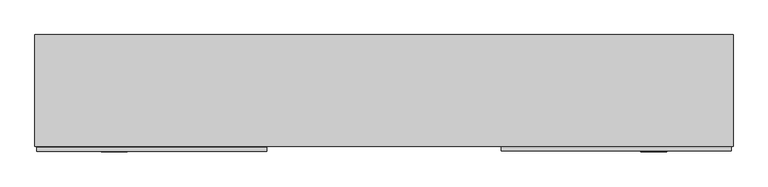
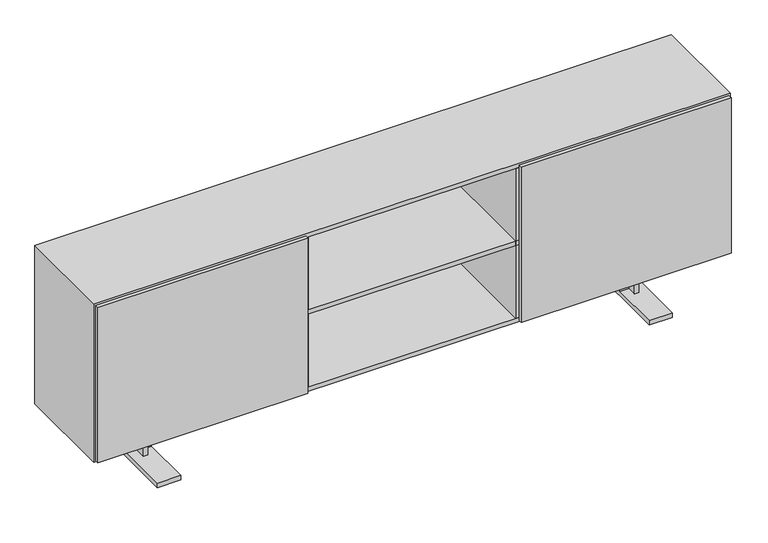
"""IFC4 building model written with IfcOpenShell, lengths in millimetres: furniture geometry."""

from ifc_helpers import new_model, si_unit, frame, origin, place, context, project, spatial, polyline, outline, extrude, faceted_brep, source, transform, mapped, element, save


def furniture_48a592a2(model_context):
    return source(origin(), model_context, "Body", "SolidModel", [
        extrude(outline(polyline([(-453.0720026, 14.0619413), (-453.0720026, -0.9392987), (-1343.025, -0.9392987), (-1343.025, 14.0619413), (-453.0720026, 14.0619413)])), frame((0.0, 0.0, 196.85), z_axis=(0.0, 0.0, 1.0), x_axis=(1.0, 0.0, 0.0)), (0.0, 0.0, 1.0), 698.5),
        extrude(outline(polyline([(1343.025, 15.9405387), (1343.025, 0.9392987), (453.0720026, 0.9392987), (453.0720026, 15.9405387), (1343.025, 15.9405387)])), frame((0.0, 0.0, 196.85), z_axis=(0.0, 0.0, 1.0), x_axis=(1.0, 0.0, 0.0)), (0.0, 0.0, 1.0), 698.5),
        extrude(outline(polyline([(1330.325, 19.0420174), (-1330.325, 19.0420174), (-1330.325, 431.8), (1330.325, 431.8), (1330.325, 19.0420174)])), frame((0.0, 0.0, 536.575), z_axis=(0.0, 0.0, 1.0), x_axis=(1.0, 0.0, 0.0)), (0.0, 0.0, 1.0), 19.05),
        extrude(outline(polyline([(459.3166667, 19.0739478), (440.2666667, 19.0739478), (440.2666667, 423.0566059), (459.3166667, 423.0566059), (459.3166667, 19.0739478)])), frame((0.0, 0.0, 209.55), z_axis=(0.0, 0.0, 1.0), x_axis=(1.0, 0.0, 0.0)), (0.0, 0.0, 1.0), 673.1),
        extrude(outline(polyline([(-440.2666667, 19.0739478), (-459.3166667, 19.0739478), (-459.3166667, 423.0566059), (-440.2666667, 423.0566059), (-440.2666667, 19.0739478)])), frame((0.0, 0.0, 209.55), z_axis=(0.0, 0.0, 1.0), x_axis=(1.0, 0.0, 0.0)), (0.0, 0.0, 1.0), 673.1),
        faceted_brep([(1349.375, 19.0420174, 901.7), (-1349.375, 19.0420174, 901.7), (-1349.375, 19.0420174, 190.5), (1349.375, 19.0420174, 190.5), (-1330.325, 19.0420174, 882.65), (1330.325, 19.0420174, 882.65), (1330.325, 19.0420174, 209.55), (-1330.325, 19.0420174, 209.55), (1349.375, 450.85, 901.7), (1349.375, 450.85, 190.5), (-1349.375, 450.85, 190.5), (-1349.375, 450.85, 901.7), (-1330.325, 431.8, 882.65), (1330.325, 431.8, 882.65), (1330.325, 431.8, 209.55), (-1330.325, 431.8, 209.55)], [[[0, 1, 2, 3], [4, 5, 6, 7]], [[8, 9, 10, 11]], [[1, 0, 8, 11]], [[2, 1, 11, 10]], [[3, 2, 10, 9]], [[0, 3, 9, 8]], [[5, 4, 12, 13]], [[6, 5, 13, 14]], [[7, 6, 14, 15]], [[4, 7, 15, 12]], [[13, 12, 15, 14]]]),
        faceted_brep([(-1050.8500108, 171.1108775, 190.5), (-1031.8000108, 171.1108775, 190.5), (-1031.8000108, 211.6109348, 190.5), (1031.8000108, 211.6109348, 190.5), (1031.8000108, 171.1108775, 190.5), (1050.8500108, 171.1108775, 190.5), (1050.8500108, 269.1160418, 190.5), (1031.8000108, 269.1160418, 190.5), (1031.8000108, 230.9134, 190.5), (-1031.8000108, 230.9134, 190.5), (-1031.8000108, 269.1160418, 190.5), (-1050.8500108, 269.1160418, 190.5), (-1050.8500108, 171.1108775, 19.8859728), (-1031.8000108, 171.1108775, 19.8859728), (-1031.8000108, 211.6109348, 19.8859728), (-993.3499595, 211.6109348, 139.7), (993.3499595, 211.6109348, 139.7), (993.3499595, 211.6109348, 19.8859728), (1031.8000108, 211.6109348, 19.8859728), (-993.3499595, 211.6109348, 19.8859728), (-993.3499595, 230.9134, 139.7), (-993.3499595, -3.1790836, 19.8859728), (-993.3499595, -3.1790836, 0.0), (-993.3499595, 445.4008393, 0.0), (-993.3499595, 445.4008393, 19.8859728), (-993.3499595, 230.9134, 19.8859728), (993.3499595, 230.9134, 139.7), (-1031.8000108, 230.9134, 19.8859728), (1031.8000108, 230.9134, 19.8859728), (993.3499595, 230.9134, 19.8859728), (-1031.8000108, 269.1160418, 19.8859728), (-1050.8500108, 269.1160418, 19.8859728), (1031.8000108, 171.1108775, 19.8859728), (1050.8500108, 171.1108775, 19.8859728), (993.3499595, 445.4008393, 19.8859728), (993.3499595, 445.4008393, 0.0), (993.3499595, -3.1790836, 0.0), (993.3499595, -3.1790836, 19.8859728), (1031.8000108, 269.1160418, 19.8859728), (1050.8500108, 269.1160418, 19.8859728), (-1092.3500213, 445.4008393, 19.8859728), (-1092.3500213, -3.1790836, 19.8859728), (-1092.3500213, -3.1790836, 0.0), (-1092.3500213, 445.4008393, 0.0), (1092.3500213, -3.1790836, 19.8859728), (1092.3500213, 445.4008393, 19.8859728), (1092.3500213, 445.4008393, 0.0), (1092.3500213, -3.1790836, 0.0)], [[[0, 1, 2, 3, 4, 5, 6, 7, 8, 9, 10, 11]], [[1, 0, 12, 13]], [[2, 1, 13, 14]], [[15, 16, 17, 18, 3, 2, 14, 19]], [[20, 15, 19, 21, 22, 23, 24, 25]], [[26, 20, 25, 27, 9, 8, 28, 29]], [[10, 9, 27, 30]], [[11, 10, 30, 31]], [[0, 11, 31, 12]], [[20, 26, 16, 15]], [[5, 4, 32, 33]], [[4, 3, 18, 32]], [[26, 29, 34, 35, 36, 37, 17, 16]], [[8, 7, 38, 28]], [[7, 6, 39, 38]], [[6, 5, 33, 39]], [[24, 40, 41, 21, 19, 14, 13, 12, 31, 30, 27, 25]], [[23, 22, 42, 43]], [[40, 24, 23, 43]], [[41, 40, 43, 42]], [[21, 41, 42, 22]], [[37, 44, 45, 34, 29, 28, 38, 39, 33, 32, 18, 17]], [[35, 46, 47, 36]], [[34, 45, 46, 35]], [[45, 44, 47, 46]], [[44, 37, 36, 47]]]),
    ])


if __name__ == "__main__":
    model = new_model("IFC4")
    model_context = context("Model", 3, world=origin())
    ifc_project = project(units=[si_unit("LENGTHUNIT", "METRE", prefix="MILLI")], contexts=[model_context])
    site = spatial("IfcSite", under=ifc_project)
    building = spatial("IfcBuilding", under=site)
    placement = place(None, origin())
    furniture_shape = furniture_48a592a2(model_context)
    element("IfcFurniture", 1, at=placement, inside=building, context=model_context, shape_type="MappedRepresentation", body=[
        mapped(furniture_shape, transform((0.0, 0.0, 0.0), x_axis=(1.0, 0.0, 0.0), y_axis=(0.0, 1.0, 0.0), z_axis=(0.0, 0.0, 1.0))),
    ])
    save(model, "model.ifc")
